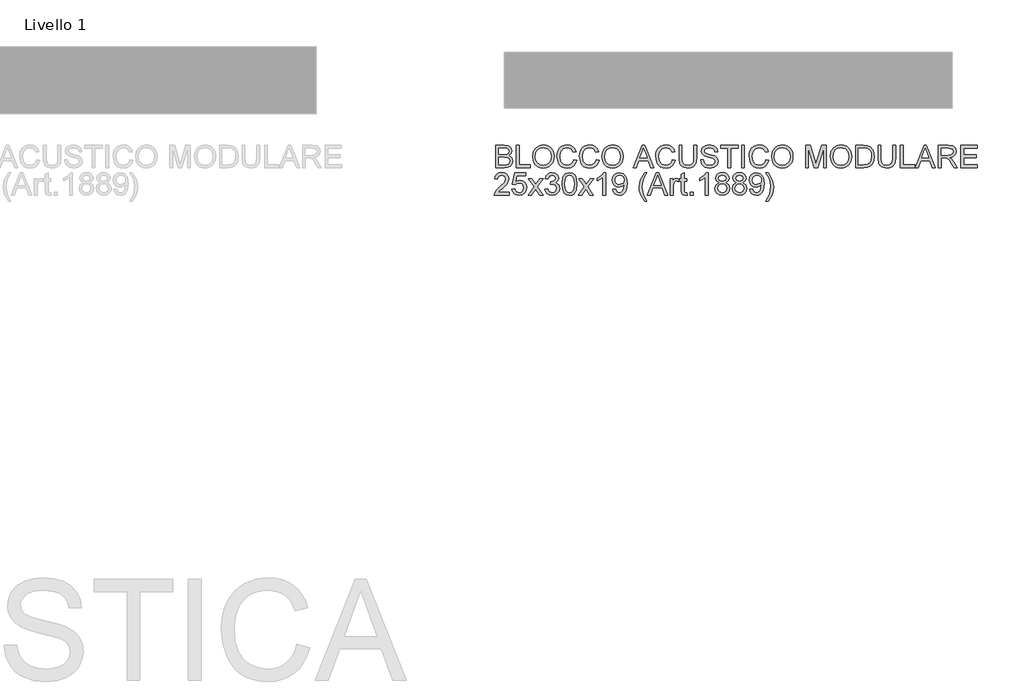
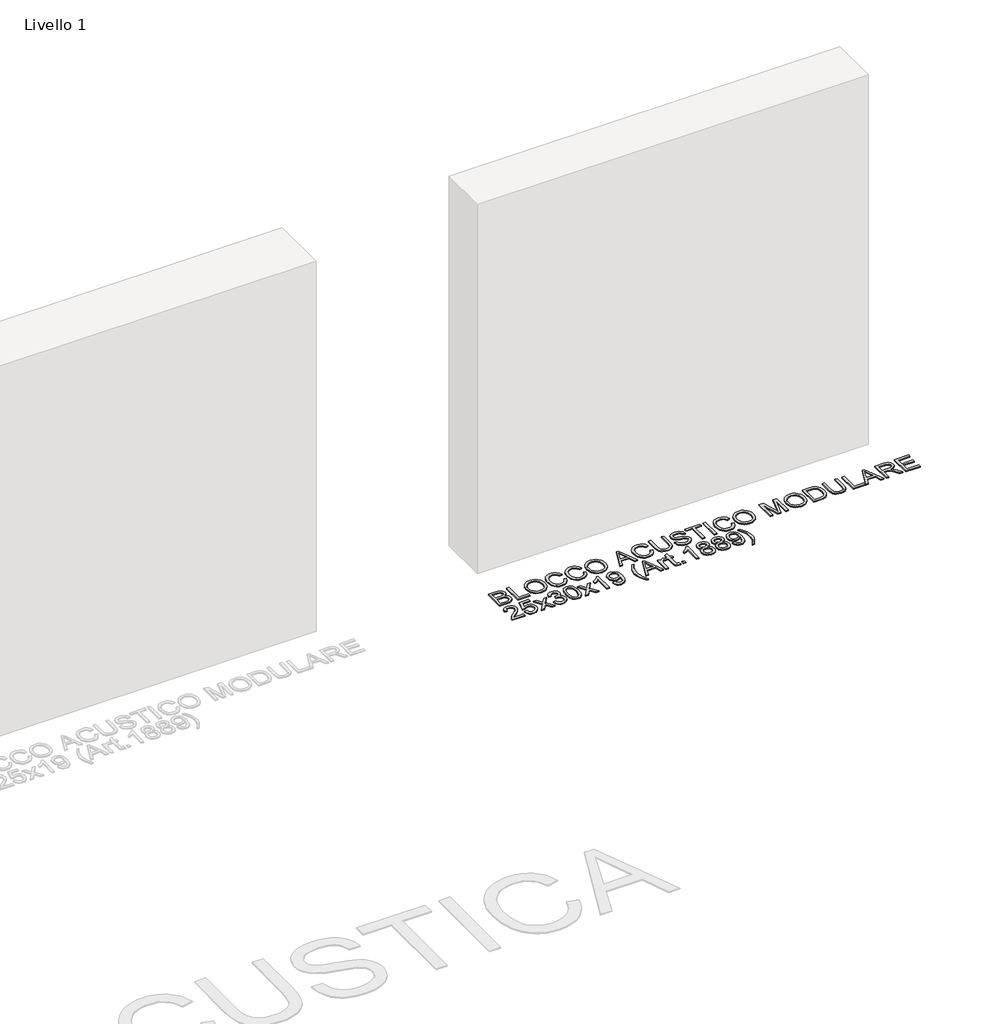
# One storey, part 4 of 4: 1 proxy.
"""IFC4 building model written with IfcOpenShell, lengths in millimetres."""

from ifc_helpers import new_model, si_unit, origin, origin_with_axes, place, context, project, spatial, polyline, outline, extrude, element, save

model = new_model("IFC4")

# Units and contexts
model_context = context("Model", 3, world=origin())
ifc_project = project(units=[si_unit("LENGTHUNIT", "METRE", prefix="MILLI")], contexts=[model_context])

# Site, building, storey
site = spatial("IfcSite", under=ifc_project)
building = spatial("IfcBuilding", under=site)
storey = spatial("IfcBuildingStorey", under=building, Name="Livello 1", Elevation=0.0)

# Proxy
placement = place(None, origin())
element("IfcBuildingElementProxy", 1, Name="100", ObjectType="100", at=placement, inside=storey, context=model_context, shape_type="SweptSolid", body=[
    extrude(outline(polyline([(2328.2882372, 327.9691658), (2328.2882372, 428.4254759), (2366.6215411, 428.4254759), (2385.3957856, 425.4701572), (2396.4812964, 416.3834719), (2400.4912101, 403.5321276), (2397.1189585, 391.7966919), (2386.9286272, 382.9062104), (2399.301725, 373.5374822), (2403.6304698, 357.9147602), (2400.6751511, 344.4134909), (2393.3542994, 334.7995081), (2382.4282041, 329.6982111), (2366.3272355, 327.9691658), (2328.2882372, 327.9691658)]), holes=[polyline([(2340.845276, 340.5262045), (2366.5970156, 340.5262045), (2375.9166928, 341.0167139), (2383.8016303, 343.7513034), (2389.0255546, 349.3308469), (2391.073431, 357.7921328), (2388.6699353, 367.5532684), (2380.8830998, 373.3780667), (2365.3707423, 375.0580611), (2340.845276, 375.0580611), (2340.845276, 340.5262045)]), polyline([(2340.845276, 387.6150999), (2363.776587, 387.6150999), (2377.1674916, 388.6942204), (2385.2241073, 393.3417963), (2387.9341713, 401.5210393), (2385.4080483, 409.7125451), (2378.1730357, 414.5563247), (2362.0352789, 415.8684371), (2340.845276, 415.8684371), (2340.845276, 387.6150999)])]), origin_with_axes(), (0.0, 0.0, 1.0), 5.0),
    extrude(outline(polyline([(2420.8963981, 327.9691658), (2420.8963981, 428.4254759), (2433.4534369, 428.4254759), (2433.4534369, 340.5262045), (2483.6815919, 340.5262045), (2483.6815919, 327.9691658), (2420.8963981, 327.9691658)])), origin_with_axes(), (0.0, 0.0, 1.0), 5.0),
    extrude(outline(polyline([(2493.099371, 376.8729457), (2496.4470972, 399.0868868), (2506.4902756, 415.8929626), (2521.8248235, 426.46957), (2541.0466577, 429.9951058), (2554.2229645, 428.3396368), (2566.0381079, 423.3732298), (2575.8482945, 415.4453728), (2583.0097306, 404.9055537), (2587.3875264, 392.2626758), (2588.8467916, 378.0256426), (2587.3108843, 363.598537), (2582.7031623, 350.7778495), (2575.2780774, 340.2196362), (2565.2900812, 332.5799534), (2553.5761053, 327.9446403), (2540.9730813, 326.3995359), (2527.5944394, 328.1071215), (2515.711851, 333.2298783), (2505.9261899, 341.3048881), (2498.8383301, 351.8692327), (2493.099371, 376.8729457)]), holes=[polyline([(2505.6564098, 376.7503183), (2508.1672044, 361.0356258), (2515.6995883, 349.0610668), (2527.0211567, 341.4826977), (2540.8995049, 338.9565747), (2554.9801883, 341.5072232), (2566.3201508, 349.1591687), (2573.7973523, 361.5016096), (2576.2897529, 378.1237444), (2572.0223217, 398.8477635), (2559.5511221, 412.5697619), (2541.1202341, 417.438067), (2527.6128335, 415.0928193), (2516.1287839, 408.0570761), (2508.2745033, 395.5398912), (2505.6564098, 376.7503183)])]), origin_with_axes(), (0.0, 0.0, 1.0), 5.0),
    extrude(outline(polyline([(2676.746063, 363.6782448), (2689.3031018, 360.4408832), (2683.5089604, 345.8083768), (2674.4161437, 335.1183392), (2662.4722416, 328.5792367), (2648.1248438, 326.3995359), (2633.5597825, 328.0488735), (2621.9929594, 332.9968864), (2613.1270033, 341.0718962), (2606.6645429, 352.1022246), (2601.4038304, 378.9576103), (2602.8906868, 393.6054451), (2607.351256, 406.2544543), (2614.552546, 416.5030336), (2624.261565, 423.9495783), (2635.7762715, 428.4837239), (2648.3946239, 429.9951058), (2662.1626076, 428.0391998), (2673.5454897, 422.171482), (2682.1876509, 412.7537029), (2687.7334719, 400.1476132), (2675.1764332, 397.1555063), (2664.8757373, 412.5942874), (2647.9041146, 417.438067), (2628.2592161, 412.0669899), (2617.1614425, 397.6460156), (2613.9608692, 378.9821358), (2617.7500537, 357.3506744), (2629.546803, 343.5305742), (2646.874045, 338.9565747), (2657.3556162, 340.5139418), (2666.0897479, 345.1860431), (2672.6840327, 352.9238278), (2676.746063, 363.6782448)])), origin_with_axes(), (0.0, 0.0, 1.0), 5.0),
    extrude(outline(polyline([(2777.2023732, 363.6782448), (2789.7594119, 360.4408832), (2783.9652705, 345.8083768), (2774.8724539, 335.1183392), (2762.9285518, 328.5792367), (2748.5811539, 326.3995359), (2734.0160926, 328.0488735), (2722.4492696, 332.9968864), (2713.5833135, 341.0718962), (2707.1208531, 352.1022246), (2701.8601406, 378.9576103), (2703.346997, 393.6054451), (2707.8075661, 406.2544543), (2715.0088562, 416.5030336), (2724.7178752, 423.9495783), (2736.2325816, 428.4837239), (2748.8509341, 429.9951058), (2762.6189177, 428.0391998), (2774.0017998, 422.171482), (2782.643961, 412.7537029), (2788.1897821, 400.1476132), (2775.6327433, 397.1555063), (2765.3320475, 412.5942874), (2748.3604247, 417.438067), (2728.7155262, 412.0669899), (2717.6177527, 397.6460156), (2714.4171793, 378.9821358), (2718.2063639, 357.3506744), (2730.0031132, 343.5305742), (2747.3303552, 338.9565747), (2757.8119263, 340.5139418), (2766.546058, 345.1860431), (2773.1403428, 352.9238278), (2777.2023732, 363.6782448)])), origin_with_axes(), (0.0, 0.0, 1.0), 5.0),
    extrude(outline(polyline([(2802.3164507, 376.8729457), (2805.6641769, 399.0868868), (2815.7073553, 415.8929626), (2831.0419032, 426.46957), (2850.2637374, 429.9951058), (2863.4400442, 428.3396368), (2875.2551876, 423.3732298), (2885.0653742, 415.4453728), (2892.2268103, 404.9055537), (2896.6046061, 392.2626758), (2898.0638713, 378.0256426), (2896.527964, 363.598537), (2891.920242, 350.7778495), (2884.4951571, 340.2196362), (2874.5071609, 332.5799534), (2862.793185, 327.9446403), (2850.190161, 326.3995359), (2836.8115191, 328.1071215), (2824.9289307, 333.2298783), (2815.1432696, 341.3048881), (2808.0554098, 351.8692327), (2802.3164507, 376.8729457)]), holes=[polyline([(2814.8734895, 376.7503183), (2817.3842841, 361.0356258), (2824.9166679, 349.0610668), (2836.2382363, 341.4826977), (2850.1165846, 338.9565747), (2864.197268, 341.5072232), (2875.5372305, 349.1591687), (2883.014432, 361.5016096), (2885.5068325, 378.1237444), (2881.2394014, 398.8477635), (2868.7682018, 412.5697619), (2850.3373138, 417.438067), (2836.8299132, 415.0928193), (2825.3458636, 408.0570761), (2817.491583, 395.5398912), (2814.8734895, 376.7503183)])]), origin_with_axes(), (0.0, 0.0, 1.0), 5.0),
    extrude(outline(polyline([(2942.8718983, 327.9691658), (2982.9710358, 428.4254759), (2993.6641391, 428.4254759), (3033.7632766, 327.9691658), (3020.4949993, 327.9691658), (3008.9925556, 359.3617627), (2967.6180939, 359.3617627), (2956.1401756, 327.9691658), (2942.8718983, 327.9691658)]), holes=[polyline([(2972.2288815, 371.9188015), (3004.4062934, 371.9188015), (2995.3563963, 396.6159461), (2988.3175875, 415.8684371), (2982.0635935, 398.7741871), (2972.2288815, 371.9188015)])]), origin_with_axes(), (0.0, 0.0, 1.0), 5.0),
    extrude(outline(polyline([(3117.8120498, 363.6782448), (3130.3690885, 360.4408832), (3124.5749471, 345.8083768), (3115.4821305, 335.1183392), (3103.5382284, 328.5792367), (3089.1908305, 326.3995359), (3074.6257692, 328.0488735), (3063.0589462, 332.9968864), (3054.1929901, 341.0718962), (3047.7305297, 352.1022246), (3042.4698172, 378.9576103), (3043.9566736, 393.6054451), (3048.4172427, 406.2544543), (3055.6185328, 416.5030336), (3065.3275518, 423.9495783), (3076.8422582, 428.4837239), (3089.4606107, 429.9951058), (3103.2285943, 428.0391998), (3114.6114764, 422.171482), (3123.2536376, 412.7537029), (3128.7994587, 400.1476132), (3116.2424199, 397.1555063), (3105.9417241, 412.5942874), (3088.9701013, 417.438067), (3069.3252028, 412.0669899), (3058.2274293, 397.6460156), (3055.0268559, 378.9821358), (3058.8160405, 357.3506744), (3070.6127898, 343.5305742), (3087.9400318, 338.9565747), (3098.4216029, 340.5139418), (3107.1557346, 345.1860431), (3113.7500194, 352.9238278), (3117.8120498, 363.6782448)])), origin_with_axes(), (0.0, 0.0, 1.0), 5.0),
    extrude(outline(polyline([(3213.5594704, 428.4254759), (3226.1165091, 428.4254759), (3226.1165091, 370.4717989), (3222.7074693, 346.4491047), (3210.4202107, 331.9790795), (3200.156303, 327.7944218), (3187.1210177, 326.3995359), (3164.1774439, 331.2555783), (3156.5377611, 337.1999382), (3151.4487269, 345.3209332), (3147.6350168, 370.4717989), (3147.6350168, 428.4254759), (3160.1920556, 428.4254759), (3160.1920556, 370.9132573), (3162.6691277, 351.7711308), (3171.1794645, 342.2920381), (3185.9437953, 338.9565747), (3198.7154319, 340.6059123), (3207.2073746, 345.5539251), (3211.9714464, 355.1924334), (3213.5594704, 370.9132573), (3213.5594704, 428.4254759)])), origin_with_axes(), (0.0, 0.0, 1.0), 5.0),
    extrude(outline(polyline([(3243.3824375, 362.5010224), (3255.9394762, 362.5010224), (3259.9861782, 349.9317209), (3269.8699411, 341.9854698), (3284.9285774, 338.9565747), (3298.0497019, 341.2497058), (3306.5232506, 347.5527506), (3309.306891, 355.9772483), (3307.2222264, 363.8131348), (3298.6873641, 369.5153057), (3280.4036289, 374.3100344), (3260.7219422, 380.5027147), (3250.0411016, 389.8469173), (3246.5216971, 402.3303797), (3250.8749674, 416.5428875), (3263.5914217, 426.5738032), (3282.2062507, 429.9951058), (3302.0718784, 426.4143877), (3315.3156302, 415.8929626), (3320.2942999, 400.1721387), (3307.7372611, 400.1721387), (3305.4318673, 407.6646686), (3300.6248759, 413.072534), (3282.69676, 417.438067), (3264.7195932, 413.1215849), (3259.0787359, 402.6982617), (3263.0763869, 393.9917212), (3283.5796768, 386.9774378), (3305.7997493, 380.6743929), (3317.9521179, 370.4963244), (3321.8639298, 356.2960794), (3317.3635067, 341.2742313), (3304.4140605, 330.3113478), (3285.4190868, 326.3995359), (3262.9905478, 330.6179161), (3248.8025655, 343.3221077), (3243.3824375, 362.5010224)])), origin_with_axes(), (0.0, 0.0, 1.0), 5.0),
    extrude(outline(polyline([(3365.8135654, 327.9691658), (3365.8135654, 415.8684371), (3332.8513387, 415.8684371), (3332.8513387, 428.4254759), (3411.332831, 428.4254759), (3411.332831, 415.8684371), (3378.3706042, 415.8684371), (3378.3706042, 327.9691658), (3365.8135654, 327.9691658)])), origin_with_axes(), (0.0, 0.0, 1.0), 5.0),
    extrude(outline(polyline([(3427.0291294, 327.9691658), (3427.0291294, 428.4254759), (3439.5861682, 428.4254759), (3439.5861682, 327.9691658), (3427.0291294, 327.9691658)])), origin_with_axes(), (0.0, 0.0, 1.0), 5.0),
    extrude(outline(polyline([(3535.3335888, 363.6782448), (3547.8906276, 360.4408832), (3542.0964862, 345.8083768), (3533.0036695, 335.1183392), (3521.0597674, 328.5792367), (3506.7123696, 326.3995359), (3492.1473083, 328.0488735), (3480.5804852, 332.9968864), (3471.7145291, 341.0718962), (3465.2520687, 352.1022246), (3459.9913562, 378.9576103), (3461.4782126, 393.6054451), (3465.9387818, 406.2544543), (3473.1400719, 416.5030336), (3482.8490908, 423.9495783), (3494.3637973, 428.4837239), (3506.9821497, 429.9951058), (3520.7501334, 428.0391998), (3532.1330155, 422.171482), (3540.7751767, 412.7537029), (3546.3209977, 400.1476132), (3533.763959, 397.1555063), (3523.4632631, 412.5942874), (3506.4916404, 417.438067), (3486.8467419, 412.0669899), (3475.7489683, 397.6460156), (3472.548395, 378.9821358), (3476.3375795, 357.3506744), (3488.1343288, 343.5305742), (3505.4615708, 338.9565747), (3515.943142, 340.5139418), (3524.6772737, 345.1860431), (3531.2715585, 352.9238278), (3535.3335888, 363.6782448)])), origin_with_axes(), (0.0, 0.0, 1.0), 5.0),
    extrude(outline(polyline([(3560.4476664, 376.8729457), (3563.7953925, 399.0868868), (3573.838571, 415.8929626), (3589.1731188, 426.46957), (3608.3949531, 429.9951058), (3621.5712599, 428.3396368), (3633.3864033, 423.3732298), (3643.1965898, 415.4453728), (3650.358026, 404.9055537), (3654.7358217, 392.2626758), (3656.195087, 378.0256426), (3654.6591796, 363.598537), (3650.0514577, 350.7778495), (3642.6263727, 340.2196362), (3632.6383766, 332.5799534), (3620.9244007, 327.9446403), (3608.3213767, 326.3995359), (3594.9427348, 328.1071215), (3583.0601463, 333.2298783), (3573.2744853, 341.3048881), (3566.1866255, 351.8692327), (3560.4476664, 376.8729457)]), holes=[polyline([(3573.0047051, 376.7503183), (3575.5154997, 361.0356258), (3583.0478836, 349.0610668), (3594.369452, 341.4826977), (3608.2478003, 338.9565747), (3622.3284836, 341.5072232), (3633.6684461, 349.1591687), (3641.1456477, 361.5016096), (3643.6380482, 378.1237444), (3639.3706171, 398.8477635), (3626.8994174, 412.5697619), (3608.4685295, 417.438067), (3594.9611289, 415.0928193), (3583.4770793, 408.0570761), (3575.6227987, 395.5398912), (3573.0047051, 376.7503183)])]), origin_with_axes(), (0.0, 0.0, 1.0), 5.0),
    extrude(outline(polyline([(3712.7017614, 327.9691658), (3712.7017614, 428.4254759), (3734.3086973, 428.4254759), (3754.8610381, 357.6204546), (3759.0058419, 342.8315984), (3763.4940022, 358.8467279), (3783.7029865, 428.4254759), (3805.3099224, 428.4254759), (3805.3099224, 327.9691658), (3792.7528836, 327.9691658), (3792.7528836, 415.8684371), (3767.5161787, 327.9691658), (3750.4955051, 327.9691658), (3725.2588002, 415.8684371), (3725.2588002, 327.9691658), (3712.7017614, 327.9691658)])), origin_with_axes(), (0.0, 0.0, 1.0), 5.0),
    extrude(outline(polyline([(3822.5758507, 376.8729457), (3825.9235768, 399.0868868), (3835.9667553, 415.8929626), (3851.3013031, 426.46957), (3870.5231374, 429.9951058), (3883.6994442, 428.3396368), (3895.5145876, 423.3732298), (3905.3247741, 415.4453728), (3912.4862103, 404.9055537), (3916.864006, 392.2626758), (3918.3232713, 378.0256426), (3916.7873639, 363.598537), (3912.179642, 350.7778495), (3904.754557, 340.2196362), (3894.7665608, 332.5799534), (3883.052585, 327.9446403), (3870.449561, 326.3995359), (3857.0709191, 328.1071215), (3845.1883306, 333.2298783), (3835.4026696, 341.3048881), (3828.3148098, 351.8692327), (3822.5758507, 376.8729457)]), holes=[polyline([(3835.1328894, 376.7503183), (3837.643684, 361.0356258), (3845.1760679, 349.0610668), (3856.4976363, 341.4826977), (3870.3759846, 338.9565747), (3884.4566679, 341.5072232), (3895.7966304, 349.1591687), (3903.273832, 361.5016096), (3905.7662325, 378.1237444), (3901.4988014, 398.8477635), (3889.0276017, 412.5697619), (3870.5967138, 417.438067), (3857.0893132, 415.0928193), (3845.6052636, 408.0570761), (3837.750983, 395.5398912), (3835.1328894, 376.7503183)])]), origin_with_axes(), (0.0, 0.0, 1.0), 5.0),
    extrude(outline(polyline([(3935.5891996, 327.9691658), (3935.5891996, 428.4254759), (3970.2436835, 428.4254759), (3988.1717994, 426.9784734), (4002.9361302, 419.7925118), (4014.8309813, 402.6246853), (4018.7795814, 378.7368811), (4016.1063056, 358.4665832), (4009.239175, 343.8371425), (4000.0666506, 334.7259317), (3988.0614348, 329.6859484), (3971.9114152, 327.9691658), (3935.5891996, 327.9691658)]), holes=[polyline([(3948.1462383, 340.5262045), (3970.3663109, 340.5262045), (3986.5285932, 342.341089), (3995.8482704, 347.4669115), (4003.4879532, 359.9381111), (4006.2225427, 378.9330848), (4004.8828391, 392.618295), (4000.8637283, 402.7227872), (3987.8284429, 413.8573489), (3970.0229543, 415.8684371), (3948.1462383, 415.8684371), (3948.1462383, 340.5262045)])]), origin_with_axes(), (0.0, 0.0, 1.0), 5.0),
    extrude(outline(polyline([(4101.9699633, 428.4254759), (4114.527002, 428.4254759), (4114.527002, 370.4717989), (4111.1179622, 346.4491047), (4098.8307036, 331.9790795), (4088.5667959, 327.7944218), (4075.5315105, 326.3995359), (4052.5879368, 331.2555783), (4044.948254, 337.1999382), (4039.8592197, 345.3209332), (4036.0455097, 370.4717989), (4036.0455097, 428.4254759), (4048.6025485, 428.4254759), (4048.6025485, 370.9132573), (4051.0796206, 351.7711308), (4059.5899574, 342.2920381), (4074.3542882, 338.9565747), (4087.1259248, 340.6059123), (4095.6178675, 345.5539251), (4100.3819393, 355.1924334), (4101.9699633, 370.9132573), (4101.9699633, 428.4254759)])), origin_with_axes(), (0.0, 0.0, 1.0), 5.0),
    extrude(outline(polyline([(4136.5018199, 327.9691658), (4136.5018199, 428.4254759), (4149.0588586, 428.4254759), (4149.0588586, 340.5262045), (4199.2870137, 340.5262045), (4199.2870137, 327.9691658), (4136.5018199, 327.9691658)])), origin_with_axes(), (0.0, 0.0, 1.0), 5.0),
    extrude(outline(polyline([(4201.7150349, 327.9691658), (4241.8141724, 428.4254759), (4252.5072757, 428.4254759), (4292.6064132, 327.9691658), (4279.3381359, 327.9691658), (4267.8356922, 359.3617627), (4226.4612304, 359.3617627), (4214.9833122, 327.9691658), (4201.7150349, 327.9691658)]), holes=[polyline([(4231.0720181, 371.9188015), (4263.2494299, 371.9188015), (4254.1995329, 396.6159461), (4247.160724, 415.8684371), (4240.9067301, 398.7741871), (4231.0720181, 371.9188015)])]), origin_with_axes(), (0.0, 0.0, 1.0), 5.0),
    extrude(outline(polyline([(4306.0218433, 327.9691658), (4306.0218433, 428.4254759), (4349.3092914, 428.4254759), (4369.407911, 425.7154119), (4380.3953199, 416.1259545), (4384.5033356, 400.9324281), (4382.8018813, 391.0364025), (4377.6975186, 382.832634), (4369.0369633, 376.8177634), (4356.6669313, 373.4884313), (4363.803842, 368.1173542), (4373.9819105, 355.1924334), (4390.732804, 327.9691658), (4376.1401515, 327.9691658), (4363.068078, 348.7912867), (4353.6257734, 362.5745988), (4346.9916348, 369.0861101), (4341.0196837, 371.4773431), (4333.7356202, 371.9188015), (4318.578882, 371.9188015), (4318.578882, 327.9691658), (4306.0218433, 327.9691658)]), holes=[polyline([(4318.578882, 384.4758402), (4346.6850665, 384.4758402), (4361.0202015, 386.2539365), (4369.1626564, 391.9438447), (4371.9462968, 400.4664443), (4366.6365333, 411.5274296), (4349.8488516, 415.8684371), (4318.578882, 415.8684371), (4318.578882, 384.4758402)])]), origin_with_axes(), (0.0, 0.0, 1.0), 5.0),
    extrude(outline(polyline([(4406.4781534, 327.9691658), (4406.4781534, 428.4254759), (4478.6811263, 428.4254759), (4478.6811263, 415.8684371), (4419.0351922, 415.8684371), (4419.0351922, 386.0454701), (4475.5418666, 386.0454701), (4475.5418666, 373.4884313), (4419.0351922, 373.4884313), (4419.0351922, 340.5262045), (4480.2507562, 340.5262045), (4480.2507562, 327.9691658), (4406.4781534, 327.9691658)])), origin_with_axes(), (0.0, 0.0, 1.0), 5.0),
    extrude(outline(polyline([(2387.9341713, 218.5513867), (2387.9341713, 205.9943479), (2322.0097178, 205.9943479), (2323.3586184, 214.6518375), (2330.9860385, 227.9814285), (2346.7068624, 242.5372928), (2368.3873747, 263.4575156), (2373.8075027, 277.682286), (2368.693943, 289.1969925), (2355.3398266, 293.8936193), (2341.4216244, 289.3073571), (2336.1363864, 276.627691), (2323.5793476, 278.1973208), (2326.6235712, 290.343558), (2333.2055932, 299.2156455), (2342.9820572, 304.6419049), (2355.6096067, 306.4506581), (2368.3291267, 304.4395698), (2378.0871966, 298.4063051), (2384.2952053, 289.3931962), (2386.3645415, 278.4425755), (2384.1327241, 266.5354616), (2376.7137705, 254.2236775), (2358.7243409, 237.0190628), (2344.2788412, 224.9402707), (2338.6134585, 218.5513867), (2387.9341713, 218.5513867)])), origin_with_axes(), (0.0, 0.0, 1.0), 5.0),
    extrude(outline(polyline([(2400.4912101, 232.6780553), (2413.0482489, 234.2476851), (2419.3758192, 221.3105016), (2432.4969437, 216.9817568), (2441.4977898, 218.4870073), (2448.2422931, 223.0027588), (2452.4545419, 230.0078452), (2453.8586249, 238.9811001), (2448.5979123, 253.8925837), (2441.9913648, 257.9944679), (2432.6931474, 259.3617627), (2421.6689503, 257.1789962), (2414.6178787, 251.5136135), (2402.06084, 253.0832433), (2413.0482489, 304.8810282), (2461.7067741, 304.8810282), (2461.7067741, 292.3239895), (2423.2017919, 292.3239895), (2417.8307148, 264.6592634), (2426.8009041, 270.1039169), (2436.2002891, 271.9188015), (2447.9326591, 269.6685899), (2457.6723349, 262.9179553), (2464.2298315, 252.6295222), (2466.4156636, 239.7659151), (2464.447495, 227.2088763), (2458.5429889, 216.466722), (2447.236749, 207.4352191), (2432.4478928, 204.4247181), (2420.1146489, 206.3591642), (2410.2891339, 212.1625027), (2403.5538277, 221.1602832), (2400.4912101, 232.6780553)])), origin_with_axes(), (0.0, 0.0, 1.0), 5.0),
    extrude(outline(polyline([(2472.694183, 205.9943479), (2499.5250432, 243.076853), (2474.2638129, 279.7669507), (2489.3715001, 279.7669507), (2501.5606569, 262.1086149), (2507.2505651, 253.7699564), (2512.1801838, 260.588036), (2526.0615978, 279.7669507), (2541.1692851, 279.7669507), (2514.6327305, 243.076853), (2540.1882664, 205.9943479), (2525.0805791, 205.9943479), (2509.7031117, 228.2879968), (2506.8826831, 232.3592242), (2487.8018703, 205.9943479), (2472.694183, 205.9943479)])), origin_with_axes(), (0.0, 0.0, 1.0), 5.0),
    extrude(outline(polyline([(2548.0364156, 232.6780553), (2560.5934544, 234.2476851), (2567.5218986, 221.0284588), (2580.4836076, 216.9817568), (2589.0920463, 218.3735771), (2595.7384477, 222.5490377), (2601.4038304, 236.3323498), (2595.7874986, 249.3185842), (2581.5136772, 254.4566694), (2572.7090348, 253.0832433), (2574.1069864, 265.6402821), (2576.1180746, 265.4931293), (2590.3673705, 269.0983728), (2595.1130483, 273.6723723), (2596.6949409, 280.1838836), (2592.1086787, 290.0063329), (2580.2874039, 293.8936193), (2568.3189763, 289.9695447), (2562.1630843, 278.1973208), (2549.6060455, 279.7669507), (2553.3032595, 291.0425338), (2559.8822159, 299.4609002), (2568.883062, 304.7032186), (2579.8459455, 306.4506581), (2594.990421, 303.00483), (2605.5854224, 293.587051), (2609.2519796, 280.9196476), (2605.7693634, 269.3436275), (2595.4686675, 261.0294944), (2609.1538778, 252.4455812), (2613.9608692, 236.1116206), (2611.5573735, 223.8734129), (2604.3468864, 213.6462934), (2593.4637107, 206.7301119), (2580.0421492, 204.4247181), (2567.9020434, 206.3928867), (2558.0182804, 212.2973928), (2551.1450185, 221.3288957), (2548.0364156, 232.6780553)])), origin_with_axes(), (0.0, 0.0, 1.0), 5.0),
    extrude(outline(polyline([(2624.9482781, 255.4131626), (2628.6393608, 284.3164247), (2639.6022442, 300.9814791), (2657.9105049, 306.4506581), (2672.5767337, 303.2132965), (2682.7057513, 293.8813566), (2688.5918633, 279.018924), (2690.8727316, 255.4131626), (2687.2184371, 226.6325278), (2676.2923419, 209.9306853), (2668.0609822, 205.8012099), (2657.9105049, 204.4247181), (2644.8629568, 206.815951), (2634.9546684, 213.9896499), (2627.4498757, 230.9796668), (2624.9482781, 255.4131626)]), holes=[polyline([(2637.5053169, 255.4376881), (2638.9768448, 235.6854906), (2643.3914288, 224.2535576), (2649.9642538, 218.799707), (2657.9105049, 216.9817568), (2665.856756, 218.8058384), (2672.4295809, 224.2780831), (2676.8441649, 235.7161474), (2678.3156929, 255.4376881), (2676.8932158, 274.7453614), (2672.6257847, 286.2661993), (2666.0652224, 291.9867643), (2657.7633521, 293.8936193), (2649.9029401, 292.2136249), (2643.5876325, 287.1736415), (2639.0258958, 274.9354338), (2637.5053169, 255.4376881)])]), origin_with_axes(), (0.0, 0.0, 1.0), 5.0),
    extrude(outline(polyline([(2697.151251, 205.9943479), (2723.9821112, 243.076853), (2698.7208809, 279.7669507), (2713.8285681, 279.7669507), (2726.0177249, 262.1086149), (2731.7076331, 253.7699564), (2736.6372518, 260.588036), (2750.5186658, 279.7669507), (2765.6263531, 279.7669507), (2739.0897985, 243.076853), (2764.6453344, 205.9943479), (2749.5376471, 205.9943479), (2734.1601797, 228.2879968), (2731.3397511, 232.3592242), (2712.2589383, 205.9943479), (2697.151251, 205.9943479)])), origin_with_axes(), (0.0, 0.0, 1.0), 5.0),
    extrude(outline(polyline([(2819.582379, 205.9943479), (2807.0253402, 205.9943479), (2807.0253402, 284.2796365), (2795.1304891, 275.8060879), (2781.9112627, 269.4662548), (2781.9112627, 281.3365805), (2800.3176252, 293.0842789), (2811.4889751, 306.4506581), (2819.582379, 306.4506581), (2819.582379, 205.9943479)])), origin_with_axes(), (0.0, 0.0, 1.0), 5.0),
    extrude(outline(polyline([(2850.9749759, 231.1084255), (2863.5320147, 232.6780553), (2869.172872, 220.697365), (2879.8659753, 216.9817568), (2890.0317811, 219.3729898), (2896.9234371, 225.7618738), (2901.0314527, 236.6757063), (2902.8463373, 251.2438333), (2902.7727609, 253.69638), (2892.7295824, 244.180499), (2878.958533, 240.5262045), (2867.5082059, 242.758022), (2857.9769966, 249.4534743), (2851.5482587, 259.7970897), (2849.4053461, 272.9733965), (2851.6524919, 286.5850303), (2858.3939295, 297.2536082), (2868.5198814, 304.1513956), (2880.9205703, 306.4506581), (2898.811898, 301.2022083), (2911.1236821, 286.2416738), (2915.3297996, 258.1354894), (2911.1359449, 227.638072), (2905.9212176, 217.6470101), (2898.6647452, 210.3598809), (2889.6792275, 205.9085088), (2879.2773641, 204.4247181), (2868.5413412, 206.1752232), (2859.9758221, 211.4267387), (2853.9854769, 219.8481707), (2850.9749759, 231.1084255)]), holes=[polyline([(2902.7727609, 273.2677021), (2901.4177288, 281.7780389), (2897.3526328, 288.3263384), (2891.0434566, 292.5017991), (2882.956184, 293.8936193), (2874.5684746, 292.3945002), (2867.8484968, 287.8971428), (2863.4339128, 281.0146838), (2861.9623849, 272.3602598), (2863.3542051, 264.6010154), (2867.5296657, 258.4420577), (2874.0840966, 254.4229469), (2882.6128275, 253.0832433), (2897.0951154, 258.4420577), (2901.3533495, 264.827876), (2902.7727609, 273.2677021)])]), origin_with_axes(), (0.0, 0.0, 1.0), 5.0),
    extrude(outline(polyline([(2993.8112919, 177.7410107), (2975.9812779, 207.1960958), (2970.5182303, 224.3761849), (2968.6972144, 242.1694108), (2974.1418679, 272.7036164), (2993.8112919, 306.4506581), (3003.229071, 306.4506581), (2991.4813726, 286.5605049), (2984.4180383, 267.2834883), (2981.2542532, 242.0958344), (2986.7479576, 209.9061598), (3003.229071, 177.7410107), (2993.8112919, 177.7410107)])), origin_with_axes(), (0.0, 0.0, 1.0), 5.0),
    extrude(outline(polyline([(3005.6570922, 205.9943479), (3045.7562296, 306.4506581), (3056.449333, 306.4506581), (3096.5484704, 205.9943479), (3083.2801932, 205.9943479), (3071.7777494, 237.3869448), (3030.4032877, 237.3869448), (3018.9253695, 205.9943479), (3005.6570922, 205.9943479)]), holes=[polyline([(3035.0140754, 249.9439836), (3067.1914872, 249.9439836), (3058.1415901, 274.6411282), (3051.1027813, 293.8936193), (3044.8487874, 276.7993693), (3035.0140754, 249.9439836)])]), origin_with_axes(), (0.0, 0.0, 1.0), 5.0),
    extrude(outline(polyline([(3108.3942707, 205.9943479), (3108.3942707, 279.7669507), (3119.3816796, 279.7669507), (3119.3816796, 268.8531182), (3127.1807779, 278.9085594), (3135.0289271, 281.3365805), (3147.6350168, 277.4615568), (3143.4411621, 266.2043678), (3134.6119942, 268.7795418), (3127.5118717, 266.3024697), (3122.9869232, 259.4353391), (3120.9513095, 244.7691102), (3120.9513095, 205.9943479), (3108.3942707, 205.9943479)])), origin_with_axes(), (0.0, 0.0, 1.0), 5.0),
    extrude(outline(polyline([(3182.1668735, 216.466722), (3183.7365033, 205.6264659), (3174.3432497, 204.4247181), (3163.8218246, 206.5093827), (3158.5733748, 211.9785617), (3157.0527959, 226.2278577), (3157.0527959, 267.2099119), (3147.6350168, 267.2099119), (3147.6350168, 279.7669507), (3157.0527959, 279.7669507), (3157.0527959, 297.6950666), (3169.6098347, 305.0772319), (3169.6098347, 279.7669507), (3182.1668735, 279.7669507), (3182.1668735, 267.2099119), (3169.6098347, 267.2099119), (3169.6098347, 226.5957396), (3170.2720223, 220.1210165), (3172.4180006, 217.8278854), (3176.6976945, 216.9817568), (3182.1668735, 216.466722)])), origin_with_axes(), (0.0, 0.0, 1.0), 5.0),
    extrude(outline(polyline([(3197.8631719, 205.9943479), (3197.8631719, 218.5513867), (3210.4202107, 218.5513867), (3210.4202107, 205.9943479), (3197.8631719, 205.9943479)])), origin_with_axes(), (0.0, 0.0, 1.0), 5.0),
    extrude(outline(polyline([(3277.9142941, 205.9943479), (3265.3572553, 205.9943479), (3265.3572553, 284.2796365), (3253.4624041, 275.8060879), (3240.2431778, 269.4662548), (3240.2431778, 281.3365805), (3258.6495403, 293.0842789), (3269.8208902, 306.4506581), (3277.9142941, 306.4506581), (3277.9142941, 205.9943479)])), origin_with_axes(), (0.0, 0.0, 1.0), 5.0),
    extrude(outline(polyline([(3326.033259, 261.3238), (3314.592129, 269.1228983), (3310.8765208, 281.2630041), (3312.8998718, 291.079322), (3318.9699247, 299.19112), (3328.4060979, 304.6357736), (3340.5278096, 306.4506581), (3352.7230978, 304.592854), (3362.2818983, 299.0194418), (3368.4623158, 290.7788851), (3370.522455, 280.9196476), (3366.8558978, 269.0861101), (3355.7335988, 261.3238), (3369.0877152, 251.4768253), (3373.6617147, 235.2287038), (3371.393109, 223.223488), (3364.5872921, 213.3029369), (3354.0781298, 206.6442728), (3340.6994879, 204.4247181), (3327.320846, 206.6534698), (3316.8116837, 213.3397251), (3310.0058668, 223.3553124), (3307.7372611, 235.5720603), (3312.4952016, 252.2003265), (3326.033259, 261.3238)]), holes=[polyline([(3323.4335596, 280.8951221), (3327.8849317, 271.0358847), (3340.8466407, 267.2099119), (3353.5508323, 271.0113592), (3357.9654162, 280.3310364), (3353.4036795, 289.9818074), (3340.6994879, 293.8936193), (3327.9585081, 290.0676465), (3323.4335596, 280.8951221)]), polyline([(3320.2942999, 236.0135187), (3322.3912273, 226.5589514), (3329.8101809, 219.4833544), (3340.7975898, 216.9817568), (3349.3447148, 218.296935), (3355.7581242, 222.2424694), (3361.1046759, 235.6211113), (3355.586446, 249.2572705), (3349.0258837, 253.3039725), (3340.3806568, 254.6528731), (3331.9530935, 253.3223666), (3325.6040634, 249.3308469), (3320.2942999, 236.0135187)])]), origin_with_axes(), (0.0, 0.0, 1.0), 5.0),
    extrude(outline(polyline([(3402.9451215, 261.3238), (3391.5039914, 269.1228983), (3387.7883833, 281.2630041), (3389.8117343, 291.079322), (3395.8817872, 299.19112), (3405.3179604, 304.6357736), (3417.4396721, 306.4506581), (3429.6349602, 304.592854), (3439.1937608, 299.0194418), (3445.3741783, 290.7788851), (3447.4343174, 280.9196476), (3443.7677602, 269.0861101), (3432.6454612, 261.3238), (3445.9995777, 251.4768253), (3450.5735771, 235.2287038), (3448.3049715, 223.223488), (3441.4991546, 213.3029369), (3430.9899923, 206.6442728), (3417.6113504, 204.4247181), (3404.2327085, 206.6534698), (3393.7235461, 213.3397251), (3386.9177292, 223.3553124), (3384.6491236, 235.5720603), (3389.4070641, 252.2003265), (3402.9451215, 261.3238)]), holes=[polyline([(3400.3454221, 280.8951221), (3404.7967942, 271.0358847), (3417.7585032, 267.2099119), (3430.4626947, 271.0113592), (3434.8772787, 280.3310364), (3430.3155419, 289.9818074), (3417.6113504, 293.8936193), (3404.8703706, 290.0676465), (3400.3454221, 280.8951221)]), polyline([(3397.2061624, 236.0135187), (3399.3030897, 226.5589514), (3406.7220433, 219.4833544), (3417.7094522, 216.9817568), (3426.2565773, 218.296935), (3432.6699867, 222.2424694), (3438.0165384, 235.6211113), (3432.4983084, 249.2572705), (3425.9377462, 253.3039725), (3417.2925193, 254.6528731), (3408.8649559, 253.3223666), (3402.5159258, 249.3308469), (3397.2061624, 236.0135187)])]), origin_with_axes(), (0.0, 0.0, 1.0), 5.0),
    extrude(outline(polyline([(3463.1306159, 231.1084255), (3475.6876547, 232.6780553), (3481.3285119, 220.697365), (3492.0216153, 216.9817568), (3502.1874211, 219.3729898), (3509.0790771, 225.7618738), (3513.1870927, 236.6757063), (3515.0019772, 251.2438333), (3514.9284008, 253.69638), (3504.8852224, 244.180499), (3491.114173, 240.5262045), (3479.6638459, 242.758022), (3470.1326365, 249.4534743), (3463.7038987, 259.7970897), (3461.5609861, 272.9733965), (3463.8081319, 286.5850303), (3470.5495695, 297.2536082), (3480.6755214, 304.1513956), (3493.0762103, 306.4506581), (3510.967538, 301.2022083), (3523.2793221, 286.2416738), (3527.4854396, 258.1354894), (3523.2915849, 227.638072), (3518.0768576, 217.6470101), (3510.8203852, 210.3598809), (3501.8348675, 205.9085088), (3491.4330041, 204.4247181), (3480.6969812, 206.1752232), (3472.1314621, 211.4267387), (3466.1411169, 219.8481707), (3463.1306159, 231.1084255)]), holes=[polyline([(3514.9284008, 273.2677021), (3513.5733688, 281.7780389), (3509.5082728, 288.3263384), (3503.1990965, 292.5017991), (3495.111824, 293.8936193), (3486.7241145, 292.3945002), (3480.0041368, 287.8971428), (3475.5895528, 281.0146838), (3474.1180248, 272.3602598), (3475.509845, 264.6010154), (3479.6853057, 258.4420577), (3486.2397366, 254.4229469), (3494.7684675, 253.0832433), (3509.2507554, 258.4420577), (3513.5089895, 264.827876), (3514.9284008, 273.2677021)])]), origin_with_axes(), (0.0, 0.0, 1.0), 5.0),
    extrude(outline(polyline([(3544.7513679, 177.7410107), (3535.3335888, 177.7410107), (3551.8147022, 209.9061598), (3557.3084067, 242.0958344), (3554.1446215, 267.0627591), (3547.1548636, 286.3643011), (3535.3335888, 306.4506581), (3544.7513679, 306.4506581), (3564.4207919, 272.7036164), (3569.8654454, 242.1694108), (3568.0352325, 224.3761849), (3562.5445937, 207.1960958), (3544.7513679, 177.7410107)])), origin_with_axes(), (0.0, 0.0, 1.0), 5.0),
])

save(model, "model.ifc")
